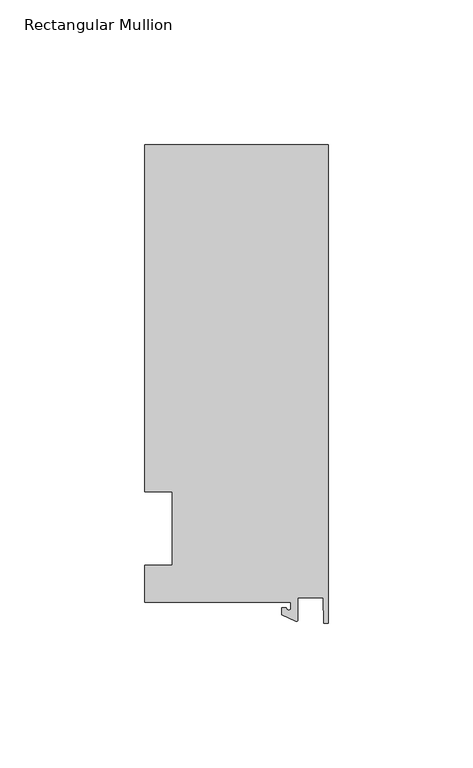
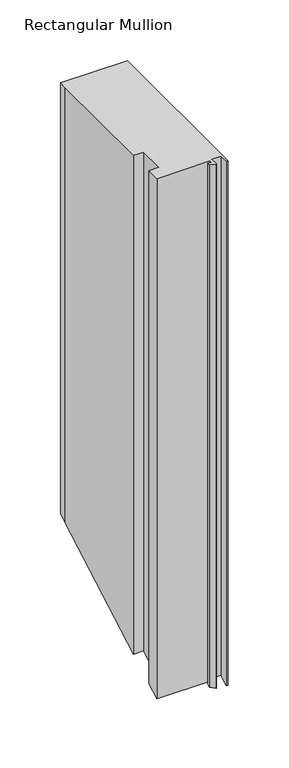
"""IFC4 building model written with IfcOpenShell, lengths in millimetres: member geometry, Rectangular Mullion."""

from ifc_helpers import new_model, si_unit, frame, origin, place, context, project, spatial, polyline, circle_curve, ellipse_curve, source, transform, mapped, element, save
from ifc_brep_helpers import plane_surface, cylinder_surface, revolved_surface, advanced_brep


def rectangular_mullion_7c9ba829(model_context):
    return source(origin(), model_context, "Body", "AdvancedBrep", [
        advanced_brep(
        [(-12.8216721, -25.5984375, 0.0), (-12.8216721, -27.5208534, 0.0), (-14.4091721, -27.5208534, 0.0), (-15.9966721, -27.5208534, 0.0), (-15.9966721, -29.8830527, 0.0), (-11.1567622, -32.1399398, 0.0), (-10.4340721, -31.6795354, 0.0), (-10.4340721, -23.9227662, 0.0), (-1.7144124, -23.9227662, 0.0), (-1.5566453, -32.810012, 0.0), (0.0, -32.810012, 0.0), (0.0, 132.822512, 0.0), (-63.5, 132.822512, 0.0), (-63.5, 125.075512, 0.0), (-63.5, 12.7, 0.0), (-53.975, 12.7, 0.0), (-53.975, -12.7, 0.0), (-63.5, -12.7, 0.0), (-63.5, -25.5984375, 0.0), (-12.8216721, -25.5984375, -522.4828991), (-12.8216721, -27.5208534, -523.5705497), (-14.4091721, -27.5208534, -523.5705497), (-15.9966721, -27.5208534, -523.5705497), (-15.9966721, -29.8830527, -524.9070178), (-11.1567622, -32.1399398, -526.183903), (-10.4340721, -31.6795354, -525.9234188), (-10.4340721, -23.9227662, -521.5348499), (-1.7144124, -23.9227662, -521.5348499), (-1.5566453, -32.810012, -526.5630116), (0.0, -32.810012, -526.5630116), (0.0, 132.822512, -432.8526384), (-63.5, 132.822512, -432.8526384), (-63.5, 125.075512, -437.2356801), (-63.5, 12.7, -500.8146857), (-53.975, 12.7, -500.8146857), (-53.975, -12.7, -515.1853143), (-63.5, -12.7, -515.1853143), (-63.5, -25.5984375, -522.4828991)],
        [
            (0, 1),
            (1, 2, circle_curve(frame((-13.6154221, -27.5208534, 0.0), z_axis=(0.0, 0.0, -1.0), x_axis=(-1.0, 0.0, 0.0)), 0.79375)),
            (2, 3),
            (3, 4),
            (4, 5),
            (5, 6, circle_curve(frame((-10.9420721, -31.6795354, 0.0), z_axis=(0.0, 0.0, 1.0), x_axis=(-1.0, 0.0, 0.0)), 0.508)),
            (6, 7),
            (7, 8),
            (8, 9),
            (9, 10),
            (10, 11),
            (11, 12),
            (12, 13),
            (13, 14),
            (14, 15),
            (15, 16),
            (16, 17),
            (17, 18),
            (18, 0),
            (0, 19),
            (19, 20),
            (20, 1),
            (20, 21, ellipse_curve(frame((-13.6154221, -27.5208534, -523.5705497), z_axis=(0.0, 0.4924235601034684, -0.870355695939899), x_axis=(0.0, -0.870355695939899, -0.492423560103468)), 0.9119835, 0.79375)),
            (21, 2),
            (21, 22),
            (22, 3),
            (22, 23),
            (23, 4),
            (23, 24),
            (24, 5),
            (24, 25, ellipse_curve(frame((-10.9420721, -31.6795354, -525.9234188), z_axis=(0.0, -0.4924235601034684, 0.870355695939899), x_axis=(0.0, 0.870355695939899, 0.492423560103468)), 0.5836694, 0.508)),
            (25, 6),
            (25, 26),
            (26, 7),
            (26, 27),
            (27, 8),
            (27, 28),
            (28, 9),
            (28, 29),
            (29, 10),
            (29, 30),
            (30, 11),
            (30, 31),
            (31, 12),
            (13, 32),
            (32, 33),
            (33, 14),
            (33, 34),
            (34, 15),
            (34, 35),
            (35, 16),
            (35, 36),
            (36, 17),
            (36, 37),
            (37, 18),
            (37, 19),
            (32, 31),
        ],
        [
            plane_surface(frame((0.0, -147.2211591, 0.0), z_axis=(0.0, 0.0, 1.0), x_axis=(-1.0, 0.0, 0.0))),
            plane_surface(frame((-12.8216721, -25.5984375, 0.0), z_axis=(-1.0, 0.0, 0.0), x_axis=(0.0, 0.0, -1.0))),
            revolved_surface(polyline([(-14.4091721, -27.5208534, -524.0196318618256), (-14.4091721, -27.5208534, 0.0)]), (-13.6154221, -27.5208534, 0.0), (0.0, 0.0, -1.0)),
            plane_surface(frame((-14.4091721, -27.5208534, 0.0), z_axis=(0.0, 1.0, 0.0), x_axis=(0.0, 0.0, -1.0))),
            plane_surface(frame((-15.9966721, -27.5208534, 0.0), z_axis=(-1.0, 0.0, 0.0), x_axis=(0.0, 0.0, -1.0))),
            plane_surface(frame((-15.9966721, -29.8830527, 0.0), z_axis=(-0.4226182617406985, -0.9063077870366505, 0.0), x_axis=(0.0, 0.0, -1.0))),
            cylinder_surface(frame((-10.9420721, -31.6795354, 0.0), z_axis=(0.0, 0.0, 1.0), x_axis=(-1.0, 0.0, 0.0)), 0.508),
            plane_surface(frame((-10.4340721, -31.6795354, 0.0), z_axis=(1.0, 0.0, 0.0), x_axis=(0.0, 0.0, -1.0))),
            plane_surface(frame((-10.4340721, -23.9227662, 0.0), z_axis=(0.0, -1.0, 0.0), x_axis=(0.0, 0.0, -1.0))),
            plane_surface(frame((-1.7144124, -23.9227662, 0.0), z_axis=(-0.9998424690407919, -0.017749284560600327, 0.0), x_axis=(0.0, 0.0, -1.0))),
            plane_surface(frame((-1.5566453, -32.810012, 0.0), z_axis=(0.0, -1.0, 0.0), x_axis=(0.0, 0.0, -1.0))),
            plane_surface(frame((0.0, -32.810012, 0.0), z_axis=(1.0, 0.0, 0.0), x_axis=(0.0, 0.0, -1.0))),
            plane_surface(frame((0.0, 132.822512, 0.0), z_axis=(0.0, 1.0, 0.0), x_axis=(0.0, 0.0, -1.0))),
            plane_surface(frame((-63.5, 125.075512, 0.0), z_axis=(-1.0, 0.0, 0.0), x_axis=(0.0, 0.0, -1.0))),
            plane_surface(frame((-63.5, 12.7, 0.0), z_axis=(0.0, -1.0, 0.0), x_axis=(0.0, 0.0, -1.0))),
            plane_surface(frame((-53.975, 12.7, 0.0), z_axis=(-1.0, 0.0, 0.0), x_axis=(0.0, 0.0, -1.0))),
            plane_surface(frame((-53.975, -12.7, 0.0), z_axis=(0.0, 1.0, 0.0), x_axis=(0.0, 0.0, -1.0))),
            plane_surface(frame((-63.5, -12.7, 0.0), z_axis=(-1.0, 0.0, 0.0), x_axis=(0.0, 0.0, -1.0))),
            plane_surface(frame((-63.5, -25.5984375, 0.0), z_axis=(0.0, -1.0, 0.0), x_axis=(0.0, 0.0, -1.0))),
            plane_surface(frame((-304.8, 0.0, -508.0), z_axis=(0.0, 0.4924235601034684, -0.870355695939899), x_axis=(0.0, 0.870355695939899, 0.4924235601034684))),
            plane_surface(frame((-63.5, 132.822512, 0.0), z_axis=(-1.0, 0.0, 0.0), x_axis=(0.0, 0.0, -1.0))),
        ],
        [
            (0, [[1, 2, 3, 4, 5, 6, 7, 8, 9, 10, 11, 12, 13, 14, 15, 16, 17, 18, 19]]),
            (1, [[-1, 20, 21, 22]]),
            (2, [[-2, -22, 23, 24]]),
            (3, [[-3, -24, 25, 26]]),
            (4, [[-4, -26, 27, 28]]),
            (5, [[-5, -28, 29, 30]]),
            (6, [[-6, -30, 31, 32]]),
            (7, [[-7, -32, 33, 34]]),
            (8, [[-8, -34, 35, 36]]),
            (9, [[-9, -36, 37, 38]]),
            (10, [[-10, -38, 39, 40]]),
            (11, [[-11, -40, 41, 42]]),
            (12, [[-12, -42, 43, 44]]),
            (13, [[-14, 45, 46, 47]]),
            (14, [[-15, -47, 48, 49]]),
            (15, [[-16, -49, 50, 51]]),
            (16, [[-17, -51, 52, 53]]),
            (17, [[-18, -53, 54, 55]]),
            (18, [[-19, -55, 56, -20]]),
            (19, [[-56, -54, -52, -50, -48, -46, 57, -43, -41, -39, -37, -35, -33, -31, -29, -27, -25, -23, -21]]),
            (20, [[-13, -44, -57, -45]]),
        ],
    ),
    ])


if __name__ == "__main__":
    model = new_model("IFC4")
    model_context = context("Model", 3, world=origin())
    ifc_project = project(units=[si_unit("LENGTHUNIT", "METRE", prefix="MILLI")], contexts=[model_context])
    site = spatial("IfcSite", under=ifc_project)
    building = spatial("IfcBuilding", under=site)
    placement = place(None, origin())
    rectangular_mullion_shape = rectangular_mullion_7c9ba829(model_context)
    element("IfcMember", 1, ObjectType="Rectangular Mullion", at=placement, inside=building, context=model_context, shape_type="MappedRepresentation", body=[
        mapped(rectangular_mullion_shape, transform((0.0, 0.0, 0.0), x_axis=(1.0, 0.0, 0.0), y_axis=(0.0, 1.0, 0.0), z_axis=(0.0, 0.0, 1.0))),
    ])
    save(model, "model.ifc")
